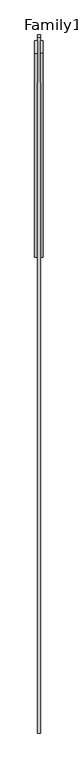
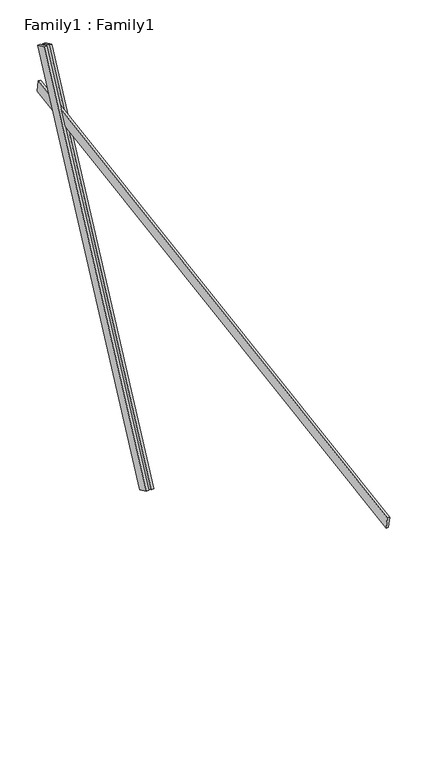
"""IFC4 building model written with IfcOpenShell, lengths in millimetres: proxy geometry, Family1 : Family1."""

from ifc_helpers import new_model, si_unit, frame, origin, place, context, project, spatial, polyline, outline, extrude, source, transform, mapped, element, save


def family1_family1_eb5f76db(model_context):
    return source(origin(), model_context, "Body", "SweptSolid", [
        extrude(outline(polyline([(0.0, 0.0), (0.0, -20.0), (-100.0000001, -20.0), (-100.0000001, 0.0), (0.0, 0.0)])), frame((-30.0, 46.3241747, -22.5938096), z_axis=(0.0, 0.4383711467890692, 0.8987940462991711), x_axis=(0.0, 0.8987940462991711, -0.4383711467890692)), (0.0, 0.0, 1.0), 3300.0),
        extrude(outline(polyline([(0.0, 0.0), (0.0, -20.0), (-99.9999999, -20.0), (-99.9999999, 0.0), (0.0, 0.0)])), frame((10.0, 45.270232, -22.0797674), z_axis=(0.0, 0.4383711467890692, 0.8987940462991711), x_axis=(0.0, 0.8987940462991711, -0.4383711467890692)), (0.0, 0.0, 1.0), 3300.0),
        extrude(outline(polyline([(0.0, -20.0), (0.0, 0.0), (5000.0, 0.0), (5000.0, -20.0), (0.0, -20.0)])), frame((-10.0, -3405.1581129, 1732.268739), z_axis=(0.0, -0.15643446504022823, 0.9876883405951382), x_axis=(0.0, 0.9876883405951382, 0.15643446504022823)), (0.0, 0.0, 1.0), 100.0),
    ])


if __name__ == "__main__":
    model = new_model("IFC4")
    model_context = context("Model", 3, world=origin())
    ifc_project = project(units=[si_unit("LENGTHUNIT", "METRE", prefix="MILLI")], contexts=[model_context])
    site = spatial("IfcSite", under=ifc_project)
    building = spatial("IfcBuilding", under=site)
    placement = place(None, origin())
    family1_family1_shape = family1_family1_eb5f76db(model_context)
    element("IfcBuildingElementProxy", 1, Name="Family1 : Family1", ObjectType="Family1 : Family1", at=placement, inside=building, context=model_context, shape_type="MappedRepresentation", body=[
        mapped(family1_family1_shape, transform((0.0, 0.0, 0.0), x_axis=(1.0, 0.0, 0.0), y_axis=(0.0, 1.0, 0.0), z_axis=(0.0, 0.0, 1.0))),
    ])
    save(model, "model.ifc")
